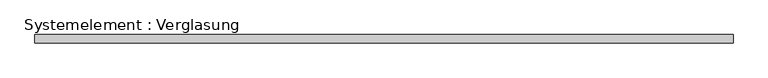
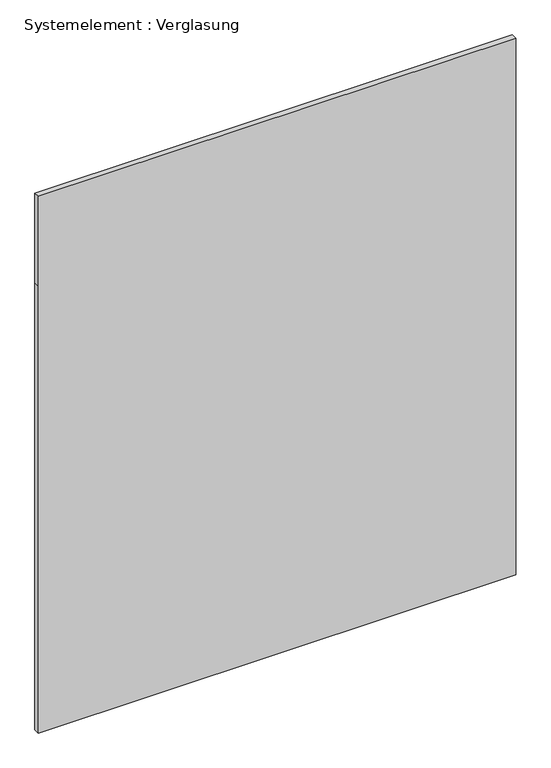
"""IFC4 building model written with IfcOpenShell, lengths in millimetres: plate geometry, Systemelement : Verglasung."""

from ifc_helpers import new_model, si_unit, frame, origin, place, context, project, spatial, polyline, outline, extrude, source, transform, mapped, element, save


def systemelement_verglasung_1b07e575(model_context):
    return source(origin(), model_context, "Body", "SweptSolid", [
        extrude(outline(polyline([(0.0, -1244.9999999), (0.0, 1244.9999999), (2465.0, 1244.9999999), (2960.0, 1244.9999999), (2960.0, -1244.9999999), (2465.0, -1244.9999999), (0.0, -1244.9999999)])), frame((0.0, -15.0, 0.0), z_axis=(0.0, 1.0, 0.0), x_axis=(0.0, 0.0, 1.0)), (0.0, 0.0, 1.0), 30.0),
    ])


if __name__ == "__main__":
    model = new_model("IFC4")
    model_context = context("Model", 3, world=origin())
    ifc_project = project(units=[si_unit("LENGTHUNIT", "METRE", prefix="MILLI")], contexts=[model_context])
    site = spatial("IfcSite", under=ifc_project)
    building = spatial("IfcBuilding", under=site)
    placement = place(None, origin())
    systemelement_verglasung_shape = systemelement_verglasung_1b07e575(model_context)
    element("IfcPlate", 1, ObjectType="Systemelement : Verglasung", at=placement, inside=building, context=model_context, shape_type="MappedRepresentation", body=[
        mapped(systemelement_verglasung_shape, transform((0.0, 0.0, 0.0), x_axis=(1.0, 0.0, 0.0), y_axis=(0.0, 1.0, 0.0), z_axis=(0.0, 0.0, 1.0))),
    ])
    save(model, "model.ifc")
